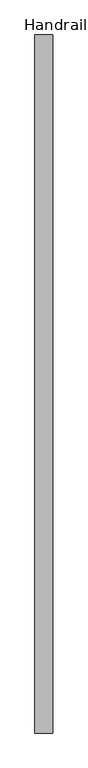
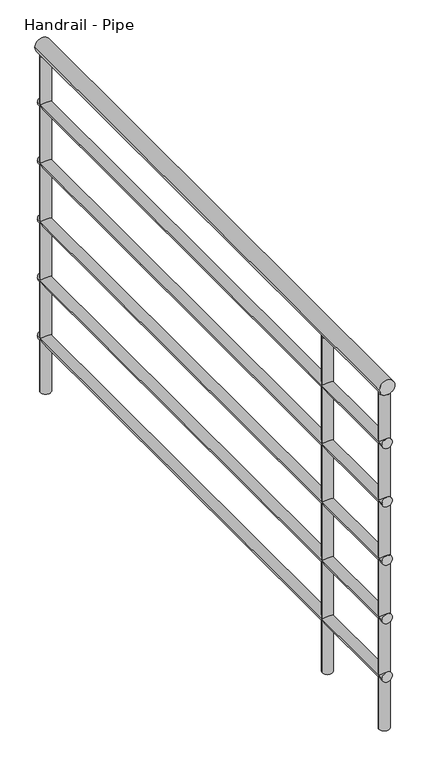
"""IFC4 building model written with IfcOpenShell, lengths in millimetres: railing geometry, Handrail - Pipe."""

from ifc_helpers import new_model, si_unit, point, frame, frame_2d, origin, place, context, project, spatial, circle_curve, trimmed, segment, composite_curve, outline, extrude, source, transform, mapped, element, save


def handrail_pipe_8fbf9b6b(model_context):
    return source(origin(), model_context, "Body", "SweptSolid", [
        extrude(outline(composite_curve([segment(trimmed(circle_curve(frame_2d((3935.35, -1283.9854491)), 19.05), [point((3935.35, -1264.9354491))], [point((3935.35, -1303.0354491))], False, "CARTESIAN"), True, "CONTINUOUS"), segment(trimmed(circle_curve(frame_2d((3935.35, -1283.9854491)), 19.05), [point((3935.35, -1303.0354491))], [point((3935.35, -1264.9354491))], False, "CARTESIAN"), True, "CONTINUOUS")], self_intersect=False)), frame((0.0, 47.1062192, 0.0), z_axis=(0.0, 1.0, 0.0), x_axis=(0.0, 0.0, 1.0)), (0.0, 0.0, 1.0), 1475.0),
        extrude(outline(composite_curve([segment(trimmed(circle_curve(frame_2d((3789.3, -1283.9854491)), 12.7), [point((3789.3, -1271.2854491))], [point((3789.3, -1296.6854491))], False, "CARTESIAN"), True, "CONTINUOUS"), segment(trimmed(circle_curve(frame_2d((3789.3, -1283.9854491)), 12.7), [point((3789.3, -1296.6854491))], [point((3789.3, -1271.2854491))], False, "CARTESIAN"), True, "CONTINUOUS")], self_intersect=False)), frame((0.0, 47.1062192, 0.0), z_axis=(0.0, 1.0, 0.0), x_axis=(0.0, 0.0, 1.0)), (0.0, 0.0, 1.0), 1475.0),
        extrude(outline(composite_curve([segment(trimmed(circle_curve(frame_2d((3636.9, -1283.9854491)), 12.7), [point((3636.9, -1271.2854491))], [point((3636.9, -1296.6854491))], False, "CARTESIAN"), True, "CONTINUOUS"), segment(trimmed(circle_curve(frame_2d((3636.9, -1283.9854491)), 12.7), [point((3636.9, -1296.6854491))], [point((3636.9, -1271.2854491))], False, "CARTESIAN"), True, "CONTINUOUS")], self_intersect=False)), frame((0.0, 47.1062192, 0.0), z_axis=(0.0, 1.0, 0.0), x_axis=(0.0, 0.0, 1.0)), (0.0, 0.0, 1.0), 1475.0),
        extrude(outline(composite_curve([segment(trimmed(circle_curve(frame_2d((3484.5, -1283.9854491)), 12.7), [point((3484.5, -1271.2854491))], [point((3484.5, -1296.6854491))], False, "CARTESIAN"), True, "CONTINUOUS"), segment(trimmed(circle_curve(frame_2d((3484.5, -1283.9854491)), 12.7), [point((3484.5, -1296.6854491))], [point((3484.5, -1271.2854491))], False, "CARTESIAN"), True, "CONTINUOUS")], self_intersect=False)), frame((0.0, 47.1062192, 0.0), z_axis=(0.0, 1.0, 0.0), x_axis=(0.0, 0.0, 1.0)), (0.0, 0.0, 1.0), 1475.0),
        extrude(outline(composite_curve([segment(trimmed(circle_curve(frame_2d((3332.1, -1283.9854491)), 12.7), [point((3332.1, -1271.2854491))], [point((3332.1, -1296.6854491))], False, "CARTESIAN"), True, "CONTINUOUS"), segment(trimmed(circle_curve(frame_2d((3332.1, -1283.9854491)), 12.7), [point((3332.1, -1296.6854491))], [point((3332.1, -1271.2854491))], False, "CARTESIAN"), True, "CONTINUOUS")], self_intersect=False)), frame((0.0, 47.1062192, 0.0), z_axis=(0.0, 1.0, 0.0), x_axis=(0.0, 0.0, 1.0)), (0.0, 0.0, 1.0), 1475.0),
        extrude(outline(composite_curve([segment(trimmed(circle_curve(frame_2d((3179.7, -1283.9854491)), 12.7), [point((3179.7, -1271.2854491))], [point((3179.7, -1296.6854491))], False, "CARTESIAN"), True, "CONTINUOUS"), segment(trimmed(circle_curve(frame_2d((3179.7, -1283.9854491)), 12.7), [point((3179.7, -1296.6854491))], [point((3179.7, -1271.2854491))], False, "CARTESIAN"), True, "CONTINUOUS")], self_intersect=False)), frame((0.0, 47.1062192, 0.0), z_axis=(0.0, 1.0, 0.0), x_axis=(0.0, 0.0, 1.0)), (0.0, 0.0, 1.0), 1475.0),
        extrude(outline(composite_curve([segment(trimmed(circle_curve(frame_2d((-1283.9854491, 302.9062192)), 12.7), [point((-1271.2854491, 302.9062192))], [point((-1296.6854491, 302.9062192))], False, "CARTESIAN"), True, "CONTINUOUS"), segment(trimmed(circle_curve(frame_2d((-1283.9854491, 302.9062192)), 12.7), [point((-1296.6854491, 302.9062192))], [point((-1271.2854491, 302.9062192))], False, "CARTESIAN"), True, "CONTINUOUS")], self_intersect=False)), frame((0.0, 0.0, 3040.0), z_axis=(0.0, 0.0, 1.0), x_axis=(1.0, 0.0, 0.0)), (0.0, 0.0, 1.0), 876.3),
        extrude(outline(composite_curve([segment(trimmed(circle_curve(frame_2d((-1283.9854491, 59.8062192)), 12.7), [point((-1271.2854491, 59.8062192))], [point((-1296.6854491, 59.8062192))], False, "CARTESIAN"), True, "CONTINUOUS"), segment(trimmed(circle_curve(frame_2d((-1283.9854491, 59.8062192)), 12.7), [point((-1296.6854491, 59.8062192))], [point((-1271.2854491, 59.8062192))], False, "CARTESIAN"), True, "CONTINUOUS")], self_intersect=False)), frame((0.0, 0.0, 3040.0), z_axis=(0.0, 0.0, 1.0), x_axis=(1.0, 0.0, 0.0)), (0.0, 0.0, 1.0), 876.3),
        extrude(outline(composite_curve([segment(trimmed(circle_curve(frame_2d((-1283.9854491, 1509.4062192)), 12.7), [point((-1271.2854491, 1509.4062192))], [point((-1296.6854491, 1509.4062192))], False, "CARTESIAN"), True, "CONTINUOUS"), segment(trimmed(circle_curve(frame_2d((-1283.9854491, 1509.4062192)), 12.7), [point((-1296.6854491, 1509.4062192))], [point((-1271.2854491, 1509.4062192))], False, "CARTESIAN"), True, "CONTINUOUS")], self_intersect=False)), frame((0.0, 0.0, 3040.0), z_axis=(0.0, 0.0, 1.0), x_axis=(1.0, 0.0, 0.0)), (0.0, 0.0, 1.0), 876.3),
    ])


if __name__ == "__main__":
    model = new_model("IFC4")
    model_context = context("Model", 3, world=origin())
    ifc_project = project(units=[si_unit("LENGTHUNIT", "METRE", prefix="MILLI")], contexts=[model_context])
    site = spatial("IfcSite", under=ifc_project)
    building = spatial("IfcBuilding", under=site)
    placement = place(None, origin())
    handrail_pipe_shape = handrail_pipe_8fbf9b6b(model_context)
    element("IfcRailing", 1, ObjectType="Handrail - Pipe", at=placement, inside=building, context=model_context, shape_type="MappedRepresentation", body=[
        mapped(handrail_pipe_shape, transform((0.0, 0.0, 0.0), x_axis=(1.0, 0.0, 0.0), y_axis=(0.0, 1.0, 0.0), z_axis=(0.0, 0.0, 1.0))),
    ])
    save(model, "model.ifc")
